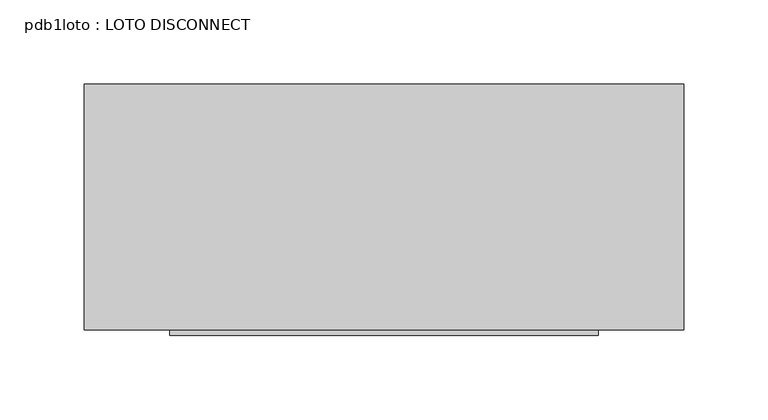
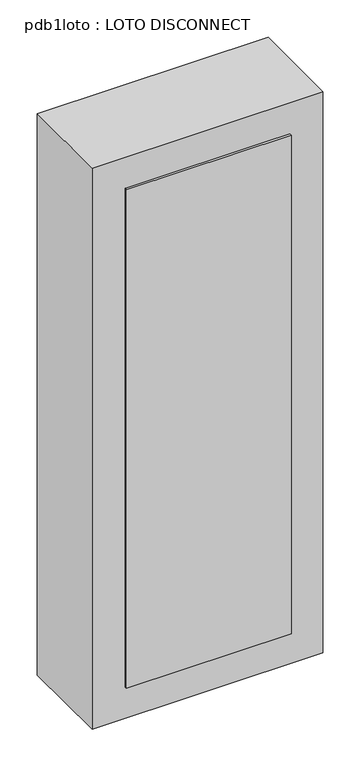
"""IFC4 building model written with IfcOpenShell, lengths in millimetres: proxy geometry, pdb1loto : LOTO DISCONNECT."""

import ifcopenshell
import ifcopenshell.guid

model = None  # the IFC model being written
_history = None  # IfcOwnerHistory: only IFC2X3 demands one
_inside = {}  # id of a spatial element -> (the spatial element, [elements in it])
_under = {}  # id of a project, library or spatial element -> (it, [spatial elements below it])
_declared = {}  # id of a project -> (the project, [libraries it declares])
_typed = {}  # id of a type object -> (the type object, [elements of that type])
_made_of = {}  # id of a material, layer set ... -> (it, [elements and type objects made of it])


def new_model(schema):
    """Start an empty IFC model of exactly this schema.

    Asked for "IFC4X3", IfcOpenShell would pick the latest addendum, in which some entities
    have other attributes; the version numbers below select the first issue.
    IFC2X3 requires an IfcOwnerHistory on every rooted entity: one is made here for all.
    """
    global model, _history
    if schema == "IFC4X3":
        model = ifcopenshell.file(schema_version=(4, 3, 0, 0))
    else:
        model = ifcopenshell.file(schema=schema)
    _inside.clear()
    _under.clear()
    _declared.clear()
    _typed.clear()
    _made_of.clear()
    _history = None
    if model.schema == "IFC2X3":
        org = make("IfcOrganization", Name="unknown")
        user = make(
            "IfcPersonAndOrganization",
            ThePerson=make("IfcPerson", FamilyName="unknown"),
            TheOrganization=org,
        )
        app = make(
            "IfcApplication",
            ApplicationDeveloper=org,
            Version="unknown",
            ApplicationFullName="unknown",
            ApplicationIdentifier="unknown",
        )
        _history = make(
            "IfcOwnerHistory",
            OwningUser=user,
            OwningApplication=app,
            ChangeAction="ADDED",
            CreationDate=0,
        )
    return model


def make(cls, **values):
    """One entity of the class cls with the attributes given. An attribute that is None is left unset."""
    return model.create_entity(
        cls, **{name: value for name, value in values.items() if value is not None}
    )


def rooted(cls, **values):
    """An entity with a GlobalId (a new one), such as an element, a storey or a relation."""
    return make(cls, GlobalId=ifcopenshell.guid.new(), OwnerHistory=_history, **values)


def si_unit(unit_type, name, prefix=None):
    """IfcSIUnit, for example si_unit("LENGTHUNIT", "METRE", prefix="MILLI")."""
    return make("IfcSIUnit", UnitType=unit_type, Prefix=prefix, Name=name)


def assignment(units):
    """IfcUnitAssignment: the units of a project."""
    return None if units is None else make("IfcUnitAssignment", Units=units)


def point(xyz):
    """IfcCartesianPoint."""
    return None if xyz is None else make("IfcCartesianPoint", Coordinates=xyz)


def direction(xyz):
    """IfcDirection."""
    return None if xyz is None else make("IfcDirection", DirectionRatios=xyz)


def frame(location, z_axis=None, x_axis=None):
    """IfcAxis2Placement3D, a coordinate frame: its origin and axes. An axis left out is left unset."""
    return make(
        "IfcAxis2Placement3D",
        Location=point(location),
        Axis=direction(z_axis),
        RefDirection=direction(x_axis),
    )


def origin():
    """The frame at (0, 0, 0) with its axes left unset."""
    return frame((0.0, 0.0, 0.0))


def place(relative_to, where):
    """IfcLocalPlacement: puts the frame where relative to a parent placement (None: the world)."""
    return make(
        "IfcLocalPlacement", PlacementRelTo=relative_to, RelativePlacement=where
    )


def context(
    kind, dimensions, precision=None, world=None, true_north=None, identifier=None
):
    """IfcGeometricRepresentationContext, for example the 3D "Model" context."""
    return make(
        "IfcGeometricRepresentationContext",
        ContextIdentifier=identifier,
        ContextType=kind,
        CoordinateSpaceDimension=dimensions,
        Precision=precision,
        WorldCoordinateSystem=world,
        TrueNorth=true_north,
    )


def project(units=None, contexts=None):
    """IfcProject with its units and contexts."""
    return rooted(
        "IfcProject",
        Name="project",
        RepresentationContexts=contexts,
        UnitsInContext=assignment(units),
    )


def spatial(cls, under=None, at=None, **own):
    """A site, building, storey or space (cls), placed at a placement, below another one or the project."""
    s = rooted(cls, ObjectPlacement=at, **own)
    if under is not None:
        _under.setdefault(under.id(), (under, []))[1].append(s)
    return s


def polyline(points):
    """IfcPolyline through the points."""
    return make("IfcPolyline", Points=[point(p) for p in points])


def outline(outer, holes=None, kind="AREA"):
    """IfcArbitraryClosedProfileDef: a profile drawn as a closed curve; with holes, ...WithVoids."""
    if holes is None:
        return make("IfcArbitraryClosedProfileDef", ProfileType=kind, OuterCurve=outer)
    return make(
        "IfcArbitraryProfileDefWithVoids",
        ProfileType=kind,
        OuterCurve=outer,
        InnerCurves=holes,
    )


def extrude(swept, where, along, depth):
    """IfcExtrudedAreaSolid: the profile swept, set in the frame where, extruded along a direction by depth."""
    return make(
        "IfcExtrudedAreaSolid",
        SweptArea=swept,
        Position=where,
        ExtrudedDirection=direction(along),
        Depth=depth,
    )


def shape(context_of_items, identifier, shape_type, items):
    """IfcShapeRepresentation: the items that make up one representation, for example the "Body"."""
    return make(
        "IfcShapeRepresentation",
        ContextOfItems=context_of_items,
        RepresentationIdentifier=identifier,
        RepresentationType=shape_type,
        Items=items,
    )


def source(mapping_origin, context_of_items, identifier, shape_type, items):
    """IfcRepresentationMap: a shape defined once, which mapped items show again and again."""
    return make(
        "IfcRepresentationMap",
        MappingOrigin=mapping_origin,
        MappedRepresentation=shape(context_of_items, identifier, shape_type, items),
    )


def transform(
    local_origin,
    x_axis=None,
    y_axis=None,
    z_axis=None,
    scale=None,
    scale2=None,
    scale3=None,
    uniform=True,
):
    """IfcCartesianTransformationOperator3D, or its non-uniform kind. x_axis, y_axis, z_axis: its Axis1, 2, 3."""
    if uniform:
        return make(
            "IfcCartesianTransformationOperator3D",
            Axis1=direction(x_axis),
            Axis2=direction(y_axis),
            LocalOrigin=point(local_origin),
            Scale=scale,
            Axis3=direction(z_axis),
        )
    return make(
        "IfcCartesianTransformationOperator3DnonUniform",
        Axis1=direction(x_axis),
        Axis2=direction(y_axis),
        LocalOrigin=point(local_origin),
        Scale=scale,
        Axis3=direction(z_axis),
        Scale2=scale2,
        Scale3=scale3,
    )


def mapped(mapping_source, mapping_target):
    """IfcMappedItem: shows the shape of a source again, moved by a transform."""
    return make(
        "IfcMappedItem", MappingSource=mapping_source, MappingTarget=mapping_target
    )


def made_of(thing, what):
    """Note that an element or type object is made of a material, layer set ...; save() writes the relation."""
    if what is not None:
        _made_of.setdefault(what.id(), (what, []))[1].append(thing)
    return thing


def element(
    cls,
    number,
    at=None,
    inside=None,
    cuts=None,
    type_object=None,
    material=None,
    context=None,
    identifier="Body",
    shape_type=None,
    held_by="IfcProductDefinitionShape",
    body=None,
    shapes=None,
    **own,
):
    """One element of the class cls, such as IfcWall. Its Tag is "e" and its number.

    at: its placement. inside: the storey or other place that contains it. cuts: it is an
    opening in that element (IfcRelVoidsElement). A single representation is given by context,
    identifier, shape_type and body (its items); several are given by shapes. held_by: the class
    of the entity that holds the representations. save() writes the other relations.
    """
    e = rooted(cls, Tag="e%d" % number, ObjectPlacement=at, **own)
    if body is not None:
        shapes = [shape(context, identifier, shape_type, body)]
    if shapes is not None:
        e.Representation = make(held_by, Representations=shapes)
    if inside is not None:
        _inside.setdefault(inside.id(), (inside, []))[1].append(e)
    if cuts is not None:
        rooted(
            "IfcRelVoidsElement", RelatingBuildingElement=cuts, RelatedOpeningElement=e
        )
    if type_object is not None:
        _typed.setdefault(type_object.id(), (type_object, []))[1].append(e)
    return made_of(e, material)


def aggregate(whole, parts):
    """IfcRelAggregates: a whole, such as a stair, and the parts it consists of."""
    return rooted("IfcRelAggregates", RelatingObject=whole, RelatedObjects=parts)


def save(model, path):
    """Write the relations noted so far, then the file.

    IfcRelAggregates (storeys below a building ...), IfcRelContainedInSpatialStructure (elements
    in a storey), IfcRelDefinesByType, IfcRelAssociatesMaterial and IfcRelDeclares: one each for
    every whole, place, type object, material and project.
    """
    for whole, parts in _under.values():
        aggregate(whole, parts)
    for where, things in _inside.values():
        rooted(
            "IfcRelContainedInSpatialStructure",
            RelatedElements=things,
            RelatingStructure=where,
        )
    for kind, things in _typed.values():
        rooted("IfcRelDefinesByType", RelatedObjects=things, RelatingType=kind)
    for what, things in _made_of.values():
        rooted("IfcRelAssociatesMaterial", RelatedObjects=things, RelatingMaterial=what)
    for by, libraries in _declared.values():
        rooted("IfcRelDeclares", RelatingContext=by, RelatedDefinitions=libraries)
    model.write(path)


def pdb1loto_loto_disconnect_18b52ace(model_context):
    return source(origin(), model_context, "Body", "SweptSolid", [
        extrude(outline(polyline([(50.8, -73.025), (-203.2, -73.025), (-203.2, -69.85), (50.8, -69.85), (50.8, -73.025)])), frame((0.0, 0.0, 1270.0), z_axis=(0.0, 0.0, 1.0), x_axis=(1.0, 0.0, 0.0)), (0.0, 0.0, 1.0), 812.8),
        extrude(outline(polyline([(101.6, 76.2), (101.6, -69.85), (-254.0, -69.85), (-254.0, 76.2), (101.6, 76.2)])), frame((0.0, 0.0, 1219.2), z_axis=(0.0, 0.0, 1.0), x_axis=(1.0, 0.0, 0.0)), (0.0, 0.0, 1.0), 914.4),
    ])


if __name__ == "__main__":
    model = new_model("IFC4")
    model_context = context("Model", 3, world=origin())
    ifc_project = project(units=[si_unit("LENGTHUNIT", "METRE", prefix="MILLI")], contexts=[model_context])
    site = spatial("IfcSite", under=ifc_project)
    building = spatial("IfcBuilding", under=site)
    placement = place(None, origin())
    pdb1loto_loto_disconnect_shape = pdb1loto_loto_disconnect_18b52ace(model_context)
    element("IfcBuildingElementProxy", 1, Name="pdb1loto : LOTO DISCONNECT", ObjectType="pdb1loto : LOTO DISCONNECT", at=placement, inside=building, context=model_context, shape_type="MappedRepresentation", body=[
        mapped(pdb1loto_loto_disconnect_shape, transform((0.0, 0.0, 0.0), x_axis=(1.0, 0.0, 0.0), y_axis=(0.0, 1.0, 0.0), z_axis=(0.0, 0.0, 1.0))),
    ])
    save(model, "model.ifc")
